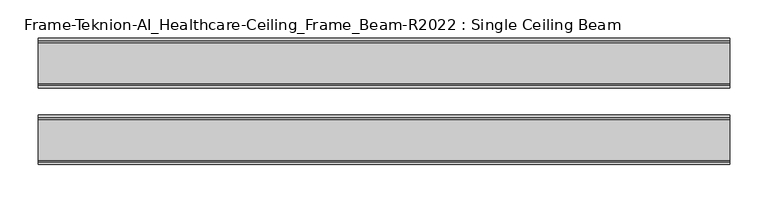
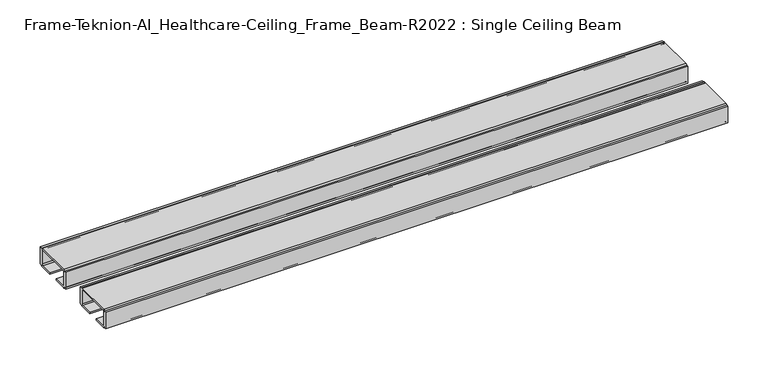
"""IFC4 building model written with IfcOpenShell, lengths in millimetres: furniture geometry, Frame-Teknion-AI_Healthcare-Ceiling_Frame_Beam-R2022 : Single Ceiling Beam."""

from ifc_helpers import new_model, si_unit, point, frame, frame_2d, origin, place, context, project, spatial, polyline, circle_curve, trimmed, segment, composite_curve, outline, extrude, source, transform, mapped, element, save


def frame_teknion_ai_healthcare_ceiling_frame_beam_r2022_single_ce59db7e(model_context):
    return source(origin(), model_context, "Body", "SweptSolid", [
        extrude(outline(composite_curve([segment(polyline([(-82.1812471, 1573.5046), (-82.1812471, 1598.9045998), (-79.0062502, 1598.9045998), (-79.0062502, 1597.787)]), True, "CONTINUOUS"), segment(trimmed(circle_curve(frame_2d((-76.5932502, 1597.787)), 2.413), [point((-79.0062502, 1597.787))], [point((-76.5932502, 1600.2))], False, "CARTESIAN"), True, "CONTINUOUS"), segment(polyline([(-76.5932502, 1600.2), (-23.4192521, 1600.2)]), True, "CONTINUOUS"), segment(trimmed(circle_curve(frame_2d((-23.4192521, 1597.787)), 2.413), [point((-23.4192521, 1600.2))], [point((-21.0062521, 1597.787))], False, "CARTESIAN"), True, "CONTINUOUS"), segment(polyline([(-21.0062521, 1597.787), (-21.0062521, 1598.9045998), (-17.8312551, 1598.9045998), (-17.8312551, 1573.5046), (-21.0062521, 1573.5046), (-21.0062521, 1574.6129989)]), True, "CONTINUOUS"), segment(trimmed(circle_curve(frame_2d((-23.4192521, 1574.6129989)), 2.413), [point((-21.0062521, 1574.6129989))], [point((-23.4192521, 1572.199999))], False, "CARTESIAN"), True, "CONTINUOUS"), segment(polyline([(-23.4192521, 1572.199999), (-42.0687564, 1572.199999), (-42.0687564, 1574.4859991), (-24.562251, 1574.4859991)]), True, "CONTINUOUS"), segment(trimmed(circle_curve(frame_2d((-24.562251, 1576.0099999)), 1.5240008), [point((-24.562251, 1574.4859991))], [point((-23.0382502, 1576.0099999))], True, "CARTESIAN"), True, "CONTINUOUS"), segment(polyline([(-23.0382502, 1576.0099999), (-23.0382502, 1597.1520009)]), True, "CONTINUOUS"), segment(trimmed(circle_curve(frame_2d((-24.0542492, 1597.1520009)), 1.015999), [point((-23.0382502, 1597.1520009))], [point((-24.0542492, 1598.168))], True, "CARTESIAN"), True, "CONTINUOUS"), segment(polyline([(-24.0542492, 1598.168), (-75.9582531, 1598.168)]), True, "CONTINUOUS"), segment(trimmed(circle_curve(frame_2d((-75.9582531, 1597.1520009)), 1.015999), [point((-75.9582531, 1598.168))], [point((-76.9742521, 1597.1520009))], True, "CARTESIAN"), True, "CONTINUOUS"), segment(polyline([(-76.9742521, 1597.1520009), (-76.9742521, 1576.0099999)]), True, "CONTINUOUS"), segment(trimmed(circle_curve(frame_2d((-75.4502513, 1576.0099999)), 1.5240008), [point((-76.9742521, 1576.0099999))], [point((-75.4502513, 1574.4859991))], True, "CARTESIAN"), True, "CONTINUOUS"), segment(polyline([(-75.4502513, 1574.4859991), (-57.9437458, 1574.4859991), (-57.9437458, 1572.199999), (-76.5932502, 1572.199999)]), True, "CONTINUOUS"), segment(trimmed(circle_curve(frame_2d((-76.5932502, 1574.6129989)), 2.413), [point((-76.5932502, 1572.199999))], [point((-79.0062502, 1574.6129989))], False, "CARTESIAN"), True, "CONTINUOUS"), segment(polyline([(-79.0062502, 1574.6129989), (-79.0062502, 1573.5046), (-82.1812471, 1573.5046)]), True, "CONTINUOUS")], self_intersect=False)), frame((-448.9704, 0.0, 0.0), z_axis=(1.0, 0.0, 0.0), x_axis=(0.0, 1.0, 0.0)), (0.0, 0.0, 1.0), 897.9408),
        extrude(outline(composite_curve([segment(polyline([(1573.5046, 82.1812471), (1598.9045998, 82.1812471), (1598.9045998, 79.0062456), (1597.787, 79.0062456)]), True, "CONTINUOUS"), segment(trimmed(circle_curve(frame_2d((1597.787, 76.5932457)), 2.413), [point((1597.787, 79.0062456))], [point((1600.2, 76.5932457))], False, "CARTESIAN"), True, "CONTINUOUS"), segment(polyline([(1600.2, 76.5932457), (1600.2, 23.4192475)]), True, "CONTINUOUS"), segment(trimmed(circle_curve(frame_2d((1597.787, 23.4192475)), 2.413), [point((1600.2, 23.4192475))], [point((1597.787, 21.0062476))], False, "CARTESIAN"), True, "CONTINUOUS"), segment(polyline([(1597.787, 21.0062476), (1598.9045998, 21.0062476), (1598.9045998, 17.8312506), (1573.5046, 17.8312506), (1573.5046, 21.0062476), (1574.6129989, 21.0062476)]), True, "CONTINUOUS"), segment(trimmed(circle_curve(frame_2d((1574.6129989, 23.4192475)), 2.413), [point((1574.6129989, 21.0062476))], [point((1572.199999, 23.4192475))], False, "CARTESIAN"), True, "CONTINUOUS"), segment(polyline([(1572.199999, 23.4192475), (1572.199999, 42.0687519), (1574.4859991, 42.0687519), (1574.4859991, 24.5622464)]), True, "CONTINUOUS"), segment(trimmed(circle_curve(frame_2d((1576.0099999, 24.5622464)), 1.5240008), [point((1574.4859991, 24.5622464))], [point((1576.0099999, 23.0382456))], True, "CARTESIAN"), True, "CONTINUOUS"), segment(polyline([(1576.0099999, 23.0382456), (1597.1520009, 23.0382456)]), True, "CONTINUOUS"), segment(trimmed(circle_curve(frame_2d((1597.1520009, 24.0542446)), 1.015999), [point((1597.1520009, 23.0382456))], [point((1598.168, 24.0542446))], True, "CARTESIAN"), True, "CONTINUOUS"), segment(polyline([(1598.168, 24.0542446), (1598.168, 75.9582485)]), True, "CONTINUOUS"), segment(trimmed(circle_curve(frame_2d((1597.1520009, 75.9582485)), 1.015999), [point((1598.168, 75.9582485))], [point((1597.1520009, 76.9742476))], True, "CARTESIAN"), True, "CONTINUOUS"), segment(polyline([(1597.1520009, 76.9742476), (1576.0099999, 76.9742476)]), True, "CONTINUOUS"), segment(trimmed(circle_curve(frame_2d((1576.0099999, 75.4502468)), 1.5240008), [point((1576.0099999, 76.9742476))], [point((1574.4859991, 75.4502468))], True, "CARTESIAN"), True, "CONTINUOUS"), segment(polyline([(1574.4859991, 75.4502468), (1574.4859991, 57.9437413), (1572.199999, 57.9437413), (1572.199999, 76.5932457)]), True, "CONTINUOUS"), segment(trimmed(circle_curve(frame_2d((1574.6129989, 76.5932457)), 2.413), [point((1572.199999, 76.5932457))], [point((1574.6129989, 79.0062456))], False, "CARTESIAN"), True, "CONTINUOUS"), segment(polyline([(1574.6129989, 79.0062456), (1573.5046, 79.0062456), (1573.5046, 82.1812471)]), True, "CONTINUOUS")], self_intersect=False)), frame((448.9704, 0.0, 0.0), z_axis=(-1.0, 0.0, 0.0), x_axis=(0.0, 0.0, 1.0)), (0.0, 0.0, 1.0), 897.9408),
    ])


if __name__ == "__main__":
    model = new_model("IFC4")
    model_context = context("Model", 3, world=origin())
    ifc_project = project(units=[si_unit("LENGTHUNIT", "METRE", prefix="MILLI")], contexts=[model_context])
    site = spatial("IfcSite", under=ifc_project)
    building = spatial("IfcBuilding", under=site)
    placement = place(None, origin())
    frame_teknion_ai_healthcare_ceiling_frame_beam_r2022_single_shape = frame_teknion_ai_healthcare_ceiling_frame_beam_r2022_single_ce59db7e(model_context)
    element("IfcFurniture", 1, ObjectType="Frame-Teknion-AI_Healthcare-Ceiling_Frame_Beam-R2022 : Single Ceiling Beam", at=placement, inside=building, context=model_context, shape_type="MappedRepresentation", body=[
        mapped(frame_teknion_ai_healthcare_ceiling_frame_beam_r2022_single_shape, transform((0.0, 0.0, 0.0), x_axis=(1.0, 0.0, 0.0), y_axis=(0.0, 1.0, 0.0), z_axis=(0.0, 0.0, 1.0))),
    ])
    save(model, "model.ifc")
